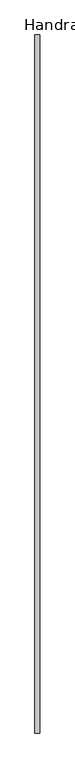
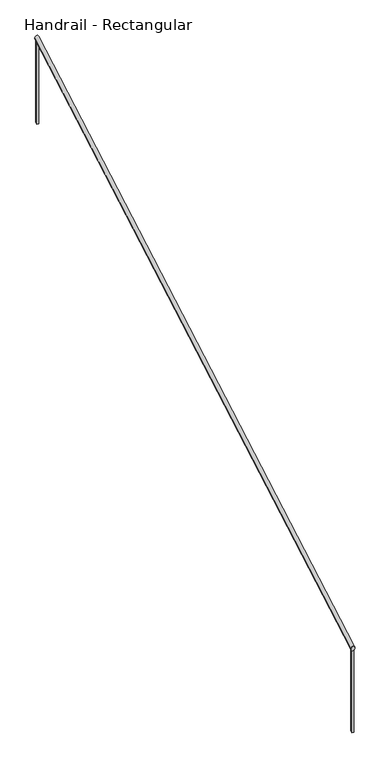
"""IFC4 building model written with IfcOpenShell, lengths in millimetres: railing geometry, Handrail - Rectangular."""

from ifc_helpers import new_model, si_unit, frame, origin, place, context, project, spatial, polyline, ellipse_curve, outline, extrude, source, transform, mapped, element, save
from ifc_brep_helpers import plane_surface, cylinder_surface, advanced_brep


def handrail_rectangular_0de98409(model_context):
    return source(origin(), model_context, "Body", "SolidModel", [
        advanced_brep(
        [(8191.9371269, -12423.0554662, 1063.8877128), (8230.0371269, -12423.0554662, 1063.8877128), (8191.9371269, -7023.0554662, 4149.6019986), (8230.0371269, -7023.0554662, 4149.6019986)],
        [
            (0, 1, ellipse_curve(frame((8210.9871269, -12423.0554662, 1063.8877128), z_axis=(0.0, -1.0, 0.0), x_axis=(0.0, 0.0, -1.0)), 21.9408586, 19.05)),
            (1, 0, ellipse_curve(frame((8210.9871269, -12423.0554662, 1063.8877128), z_axis=(0.0, -1.0, 0.0), x_axis=(0.0, 0.0, -1.0)), 21.9408586, 19.05)),
            (2, 3, ellipse_curve(frame((8210.9871269, -7023.0554662, 4149.6019986), z_axis=(0.0, 1.0, 0.0), x_axis=(0.0, 0.0, -1.0)), 21.9408586, 19.05)),
            (3, 2, ellipse_curve(frame((8210.9871269, -7023.0554662, 4149.6019986), z_axis=(0.0, 1.0, 0.0), x_axis=(0.0, 0.0, -1.0)), 21.9408586, 19.05)),
            (0, 2),
            (3, 1),
        ],
        [
            plane_surface(frame((8210.9871269, -12423.0554662, 1085.8285714), z_axis=(0.0, -1.0, 0.0), x_axis=(0.0, 0.0, 1.0))),
            plane_surface(frame((8210.9871269, -7023.0554662, 4171.5428571), z_axis=(0.0, 1.0, 0.0), x_axis=(0.0, 0.0, 1.0))),
            cylinder_surface(frame((8210.9871269, -12413.6040195, 1069.2885396), z_axis=(0.0, -0.8682431421244597, -0.49613893835683287), x_axis=(1.0, 0.0, 0.0)), 19.05),
        ],
        [
            (0, [[1, 2]]),
            (1, [[3, 4]]),
            (2, [[-1, 5, -4, 6]]),
            (2, [[-2, -6, -3, -5]]),
        ],
    ),
        extrude(outline(polyline([(-7042.0804662, 4116.7897114), (-7023.0304662, 4127.6754257), (-7023.0304662, 3274.5995292), (-7042.0804662, 3263.7138149), (-7042.0804662, 4116.7897114)])), frame((8201.4621269, 0.0, 0.0), z_axis=(1.0, 0.0, 0.0), x_axis=(0.0, 1.0, 0.0)), (0.0, 0.0, 1.0), 19.05),
        extrude(outline(polyline([(-12423.0804662, 1041.9325685), (-12404.0304662, 1052.8182828), (-12404.0304662, 199.7423864), (-12423.0804662, 188.8566721), (-12423.0804662, 1041.9325685)])), frame((8201.4621269, 0.0, 0.0), z_axis=(1.0, 0.0, 0.0), x_axis=(0.0, 1.0, 0.0)), (0.0, 0.0, 1.0), 19.05),
    ])


if __name__ == "__main__":
    model = new_model("IFC4")
    model_context = context("Model", 3, world=origin())
    ifc_project = project(units=[si_unit("LENGTHUNIT", "METRE", prefix="MILLI")], contexts=[model_context])
    site = spatial("IfcSite", under=ifc_project)
    building = spatial("IfcBuilding", under=site)
    placement = place(None, origin())
    handrail_rectangular_shape = handrail_rectangular_0de98409(model_context)
    element("IfcRailing", 1, ObjectType="Handrail - Rectangular", at=placement, inside=building, context=model_context, shape_type="MappedRepresentation", body=[
        mapped(handrail_rectangular_shape, transform((0.0, 0.0, 0.0), x_axis=(1.0, 0.0, 0.0), y_axis=(0.0, 1.0, 0.0), z_axis=(0.0, 0.0, 1.0))),
    ])
    save(model, "model.ifc")
